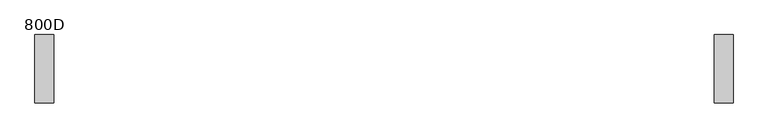
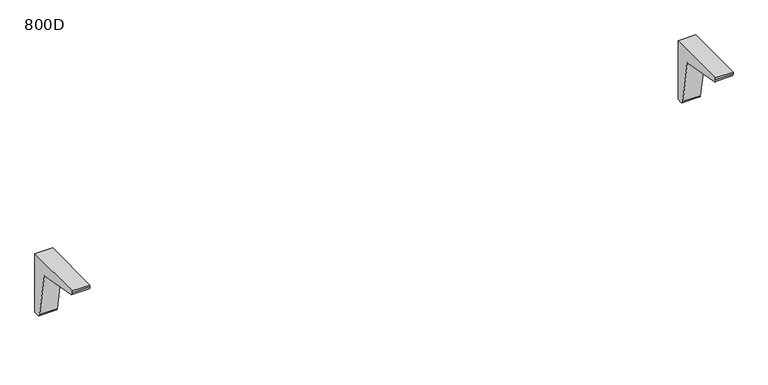
"""IFC4 building model written with IfcOpenShell, lengths in millimetres: furniture geometry, 800D."""

from ifc_helpers import new_model, si_unit, point, frame, frame_2d, origin, place, context, project, spatial, polyline, circle_curve, trimmed, segment, composite_curve, outline, extrude, source, transform, mapped, element, save


def furniture_800d_abd118b9(model_context):
    return source(origin(), model_context, "Body", "SweptSolid", [
        extrude(outline(composite_curve([segment(polyline([(0.0, 711.0), (0.0, 535.0), (-13.6, 535.0)]), True, "CONTINUOUS"), segment(trimmed(circle_curve(frame_2d((-13.6, 545.0)), 10.0), [point((-13.6, 535.0))], [point((-23.4480775, 543.2635182))], False, "CARTESIAN"), True, "CONTINUOUS"), segment(polyline([(-23.4480775, 543.2635182), (-46.2755353, 672.7244647), (-175.7393463, 695.5524276)]), True, "CONTINUOUS"), segment(trimmed(circle_curve(frame_2d((-173.2638671, 706.0)), 10.7368416), [point((-175.7393463, 695.5524276))], [point((-184.0007087, 706.0))], False, "CARTESIAN"), True, "CONTINUOUS"), segment(polyline([(-184.0007087, 706.0), (-184.0007087, 711.0), (0.0, 711.0)]), True, "CONTINUOUS")], self_intersect=False)), frame((886.9, 0.0, 0.0), z_axis=(1.0, 0.0, 0.0), x_axis=(0.0, 1.0, 0.0)), (0.0, 0.0, 1.0), 50.0),
        extrude(outline(composite_curve([segment(polyline([(0.0, 711.0), (0.0, 535.0), (-13.6, 535.0)]), True, "CONTINUOUS"), segment(trimmed(circle_curve(frame_2d((-13.6, 545.0)), 10.0), [point((-13.6, 535.0))], [point((-23.4480775, 543.2635182))], False, "CARTESIAN"), True, "CONTINUOUS"), segment(polyline([(-23.4480775, 543.2635182), (-46.2755353, 672.7244647), (-175.7393463, 695.5524276)]), True, "CONTINUOUS"), segment(trimmed(circle_curve(frame_2d((-173.2638671, 706.0)), 10.7368416), [point((-175.7393463, 695.5524276))], [point((-184.0007087, 706.0))], False, "CARTESIAN"), True, "CONTINUOUS"), segment(polyline([(-184.0007087, 706.0), (-184.0007087, 711.0), (0.0, 711.0)]), True, "CONTINUOUS")], self_intersect=False)), frame((-936.9, 0.0, 0.0), z_axis=(1.0, 0.0, 0.0), x_axis=(0.0, 1.0, 0.0)), (0.0, 0.0, 1.0), 50.0),
    ])


if __name__ == "__main__":
    model = new_model("IFC4")
    model_context = context("Model", 3, world=origin())
    ifc_project = project(units=[si_unit("LENGTHUNIT", "METRE", prefix="MILLI")], contexts=[model_context])
    site = spatial("IfcSite", under=ifc_project)
    building = spatial("IfcBuilding", under=site)
    placement = place(None, origin())
    furniture_800d_shape = furniture_800d_abd118b9(model_context)
    element("IfcFurniture", 1, ObjectType="800D", at=placement, inside=building, context=model_context, shape_type="MappedRepresentation", body=[
        mapped(furniture_800d_shape, transform((0.0, 0.0, 0.0), x_axis=(1.0, 0.0, 0.0), y_axis=(0.0, 1.0, 0.0), z_axis=(0.0, 0.0, 1.0))),
    ])
    save(model, "model.ifc")
